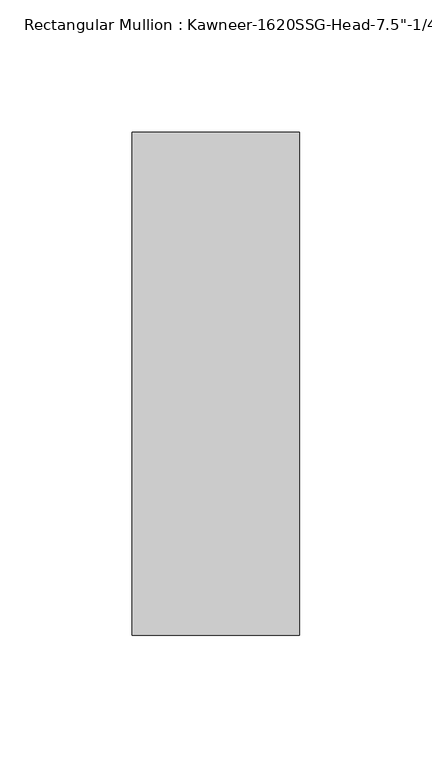
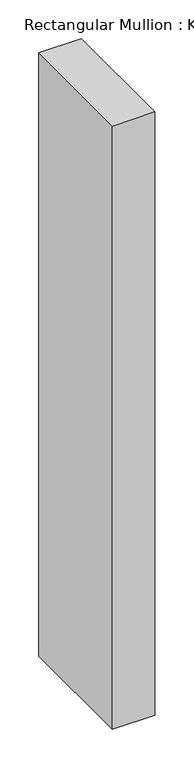
"""IFC4 building model written with IfcOpenShell, lengths in millimetres: member geometry."""

from ifc_helpers import new_model, si_unit, frame, origin, place, context, project, spatial, polyline, outline, extrude, source, transform, mapped, element, save


def member_27d3f231(model_context):
    return source(origin(), model_context, "Body", "SweptSolid", [
        extrude(outline(polyline([(-63.5, 28.575), (0.0, 28.575), (0.0, -161.925), (-63.5, -161.925), (-63.5, 28.575)])), frame((0.0, 0.0, -951.6317631), z_axis=(0.0, 0.0, 1.0), x_axis=(1.0, 0.0, 0.0)), (0.0, 0.0, 1.0), 951.6317631),
    ])


if __name__ == "__main__":
    model = new_model("IFC4")
    model_context = context("Model", 3, world=origin())
    ifc_project = project(units=[si_unit("LENGTHUNIT", "METRE", prefix="MILLI")], contexts=[model_context])
    site = spatial("IfcSite", under=ifc_project)
    building = spatial("IfcBuilding", under=site)
    placement = place(None, origin())
    member_shape = member_27d3f231(model_context)
    element("IfcMember", 1, ObjectType="Rectangular Mullion : Kawneer-1620SSG-Head-7.5\"-1/4\"Infill-1C", at=placement, inside=building, context=model_context, shape_type="MappedRepresentation", body=[
        mapped(member_shape, transform((0.0, 0.0, 0.0), x_axis=(1.0, 0.0, 0.0), y_axis=(0.0, 1.0, 0.0), z_axis=(0.0, 0.0, 1.0))),
    ])
    save(model, "model.ifc")
